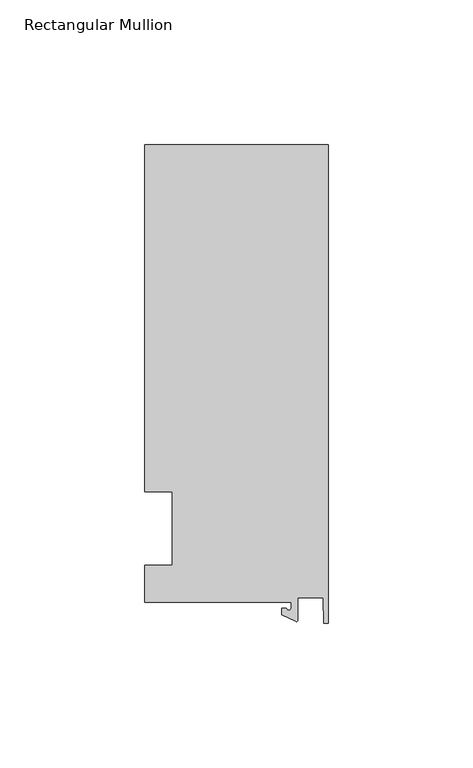
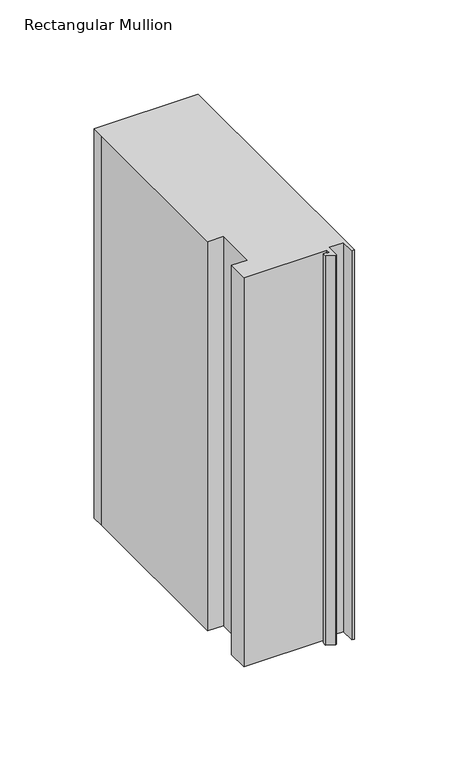
"""IFC4 building model written with IfcOpenShell, lengths in millimetres: member geometry, Rectangular Mullion."""

from ifc_helpers import new_model, si_unit, point, frame, frame_2d, origin, place, context, project, spatial, polyline, circle_curve, trimmed, segment, composite_curve, outline, extrude, source, transform, mapped, element, save


def rectangular_mullion_fb9e9a28(model_context):
    return source(origin(), model_context, "Body", "SweptSolid", [
        extrude(outline(composite_curve([segment(polyline([(-12.8216721, -25.5984375), (-63.5, -25.5984375), (-63.5, -12.7), (-53.975, -12.7), (-53.975, 12.7), (-63.5, 12.7), (-63.5, 125.075512), (-63.5, 132.822512), (0.0, 132.822512), (0.0, -32.810012), (-1.5566453, -32.810012), (-1.7144124, -23.9227662), (-10.4340721, -23.9227662), (-10.4340721, -31.6795354)]), True, "CONTINUOUS"), segment(trimmed(circle_curve(frame_2d((-10.9420721, -31.6795354)), 0.508), [point((-10.4340721, -31.6795354))], [point((-11.1567622, -32.1399398))], False, "CARTESIAN"), True, "CONTINUOUS"), segment(polyline([(-11.1567622, -32.1399398), (-15.9966721, -29.8830527), (-15.9966721, -27.5208534), (-14.4091721, -27.5208534)]), True, "CONTINUOUS"), segment(trimmed(circle_curve(frame_2d((-13.6154221, -27.5208534)), 0.79375), [point((-14.4091721, -27.5208534))], [point((-12.8216721, -27.5208534))], True, "CARTESIAN"), True, "CONTINUOUS"), segment(polyline([(-12.8216721, -27.5208534), (-12.8216721, -25.5984375)]), True, "CONTINUOUS")], self_intersect=False)), frame((0.0, 0.0, -251.466413), z_axis=(0.0, 0.0, 1.0), x_axis=(1.0, 0.0, 0.0)), (0.0, 0.0, 1.0), 251.466413),
    ])


if __name__ == "__main__":
    model = new_model("IFC4")
    model_context = context("Model", 3, world=origin())
    ifc_project = project(units=[si_unit("LENGTHUNIT", "METRE", prefix="MILLI")], contexts=[model_context])
    site = spatial("IfcSite", under=ifc_project)
    building = spatial("IfcBuilding", under=site)
    placement = place(None, origin())
    rectangular_mullion_shape = rectangular_mullion_fb9e9a28(model_context)
    element("IfcMember", 1, ObjectType="Rectangular Mullion", at=placement, inside=building, context=model_context, shape_type="MappedRepresentation", body=[
        mapped(rectangular_mullion_shape, transform((0.0, 0.0, 0.0), x_axis=(1.0, 0.0, 0.0), y_axis=(0.0, 1.0, 0.0), z_axis=(0.0, 0.0, 1.0))),
    ])
    save(model, "model.ifc")
